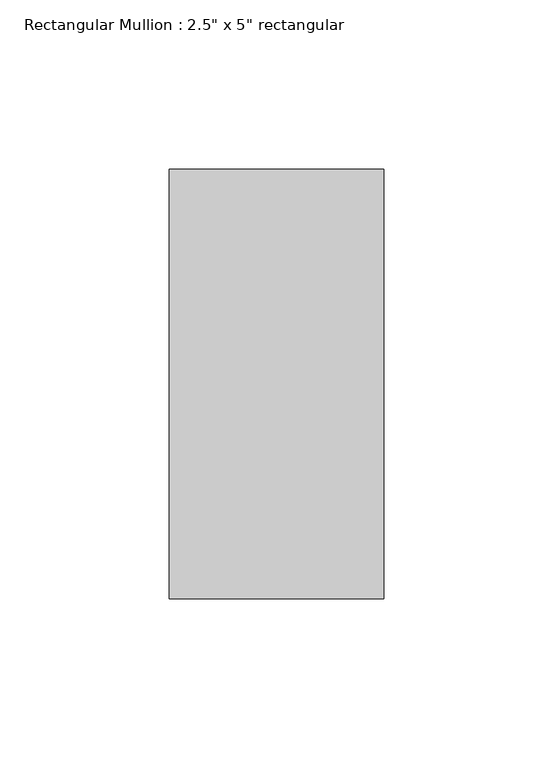
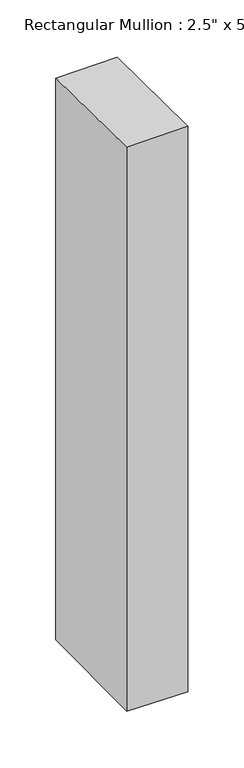
"""IFC4 building model written with IfcOpenShell, lengths in millimetres: member geometry."""

from ifc_helpers import new_model, si_unit, origin, place, context, project, spatial, faceted_brep, source, transform, mapped, element, save


def member_084b56aa(model_context):
    return source(origin(), model_context, "Body", "Brep", [
        faceted_brep([(-63.5, 63.5, -1.423418), (0.0, 63.5, -0.7436548), (0.0, 63.5, -616.8070828), (-63.5, 63.5, -616.0114251), (-63.5, -63.5, 0.0638916), (-63.5, -63.5, -617.5099132), (0.0, -63.5, 0.7436548), (0.0, -63.5, -618.3055709)], [[[0, 1, 2, 3]], [[4, 0, 3, 5]], [[6, 4, 5, 7]], [[1, 6, 7, 2]], [[1, 0, 4, 6]], [[2, 7, 5, 3]]]),
    ])


if __name__ == "__main__":
    model = new_model("IFC4")
    model_context = context("Model", 3, world=origin())
    ifc_project = project(units=[si_unit("LENGTHUNIT", "METRE", prefix="MILLI")], contexts=[model_context])
    site = spatial("IfcSite", under=ifc_project)
    building = spatial("IfcBuilding", under=site)
    placement = place(None, origin())
    member_shape = member_084b56aa(model_context)
    element("IfcMember", 1, ObjectType="Rectangular Mullion : 2.5\" x 5\" rectangular", at=placement, inside=building, context=model_context, shape_type="MappedRepresentation", body=[
        mapped(member_shape, transform((0.0, 0.0, 0.0), x_axis=(1.0, 0.0, 0.0), y_axis=(0.0, 1.0, 0.0), z_axis=(0.0, 0.0, 1.0))),
    ])
    save(model, "model.ifc")
